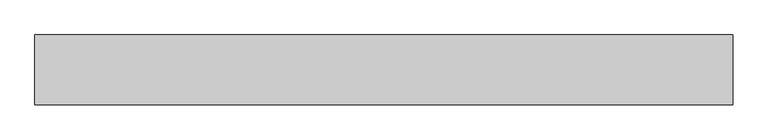
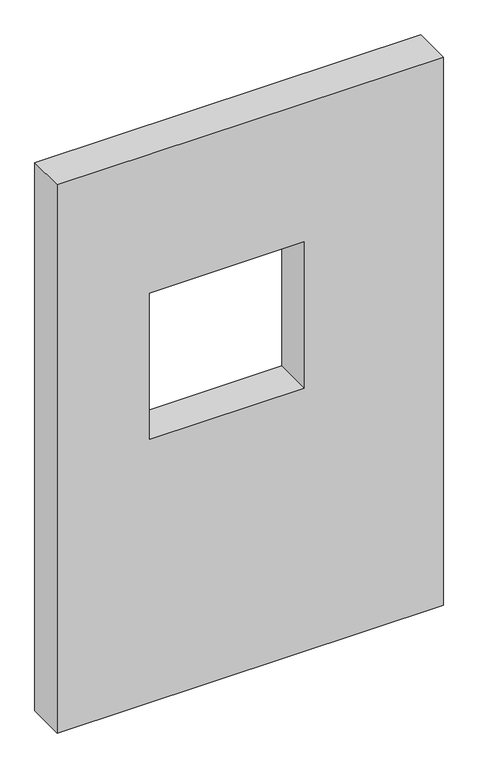
"""IFC4 building model written with IfcOpenShell, lengths in millimetres: proxy geometry."""

from ifc_helpers import new_model, si_unit, frame, origin, place, context, project, spatial, polyline, outline, extrude, source, transform, mapped, element, save


def generic_models_069ee2ff(model_context):
    return source(origin(), model_context, "Body", "SweptSolid", [
        extrude(outline(polyline([(1500.0, 1000.0), (1500.0, 0.0), (0.0, 0.0), (0.0, 1000.0), (1500.0, 1000.0)]), holes=[polyline([(1120.0, 240.0), (1120.0, 640.0), (720.0, 640.0), (720.0, 240.0), (1120.0, 240.0)])]), frame((0.0, 0.0, 0.0), z_axis=(0.0, 1.0, 0.0), x_axis=(0.0, 0.0, 1.0)), (0.0, 0.0, 1.0), 100.0),
    ])


if __name__ == "__main__":
    model = new_model("IFC4")
    model_context = context("Model", 3, world=origin())
    ifc_project = project(units=[si_unit("LENGTHUNIT", "METRE", prefix="MILLI")], contexts=[model_context])
    site = spatial("IfcSite", under=ifc_project)
    building = spatial("IfcBuilding", under=site)
    placement = place(None, origin())
    generic_models_shape = generic_models_069ee2ff(model_context)
    element("IfcBuildingElementProxy", 1, Name="Generic Models", at=placement, inside=building, context=model_context, shape_type="MappedRepresentation", body=[
        mapped(generic_models_shape, transform((0.0, 0.0, 0.0), x_axis=(1.0, 0.0, 0.0), y_axis=(0.0, 1.0, 0.0), z_axis=(0.0, 0.0, 1.0))),
    ])
    save(model, "model.ifc")
